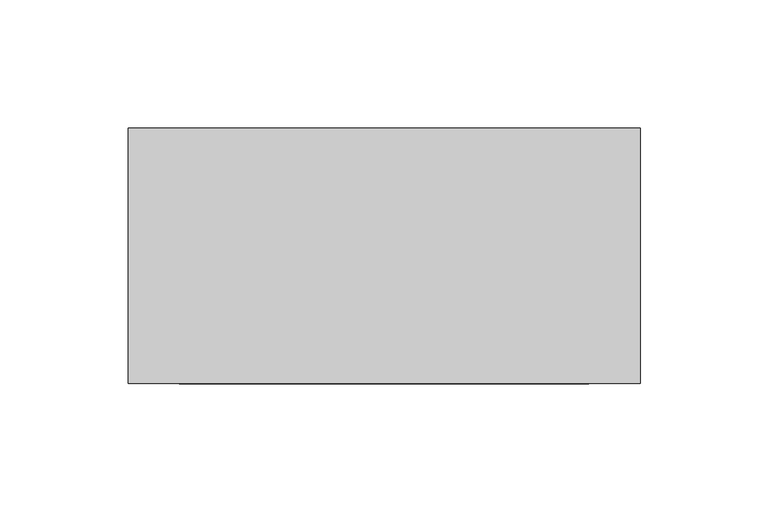
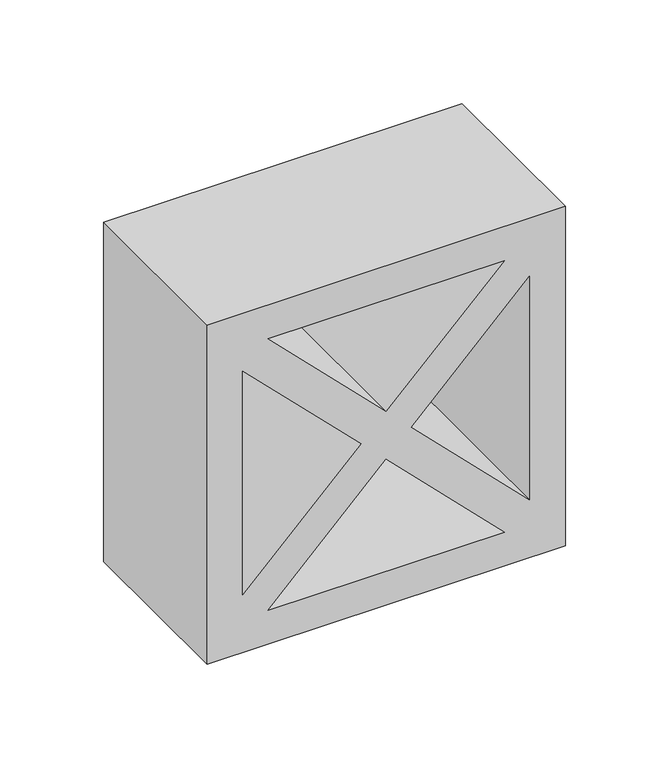
"""IFC4 building model written with IfcOpenShell, lengths in millimetres: plate geometry."""

import ifcopenshell
import ifcopenshell.guid

model = None  # the IFC model being written
_history = None  # IfcOwnerHistory: only IFC2X3 demands one
_inside = {}  # id of a spatial element -> (the spatial element, [elements in it])
_under = {}  # id of a project, library or spatial element -> (it, [spatial elements below it])
_declared = {}  # id of a project -> (the project, [libraries it declares])
_typed = {}  # id of a type object -> (the type object, [elements of that type])
_made_of = {}  # id of a material, layer set ... -> (it, [elements and type objects made of it])


def new_model(schema):
    """Start an empty IFC model of exactly this schema.

    Asked for "IFC4X3", IfcOpenShell would pick the latest addendum, in which some entities
    have other attributes; the version numbers below select the first issue.
    IFC2X3 requires an IfcOwnerHistory on every rooted entity: one is made here for all.
    """
    global model, _history
    if schema == "IFC4X3":
        model = ifcopenshell.file(schema_version=(4, 3, 0, 0))
    else:
        model = ifcopenshell.file(schema=schema)
    _inside.clear()
    _under.clear()
    _declared.clear()
    _typed.clear()
    _made_of.clear()
    _history = None
    if model.schema == "IFC2X3":
        org = make("IfcOrganization", Name="unknown")
        user = make(
            "IfcPersonAndOrganization",
            ThePerson=make("IfcPerson", FamilyName="unknown"),
            TheOrganization=org,
        )
        app = make(
            "IfcApplication",
            ApplicationDeveloper=org,
            Version="unknown",
            ApplicationFullName="unknown",
            ApplicationIdentifier="unknown",
        )
        _history = make(
            "IfcOwnerHistory",
            OwningUser=user,
            OwningApplication=app,
            ChangeAction="ADDED",
            CreationDate=0,
        )
    return model


def make(cls, **values):
    """One entity of the class cls with the attributes given. An attribute that is None is left unset."""
    return model.create_entity(
        cls, **{name: value for name, value in values.items() if value is not None}
    )


def rooted(cls, **values):
    """An entity with a GlobalId (a new one), such as an element, a storey or a relation."""
    return make(cls, GlobalId=ifcopenshell.guid.new(), OwnerHistory=_history, **values)


def si_unit(unit_type, name, prefix=None):
    """IfcSIUnit, for example si_unit("LENGTHUNIT", "METRE", prefix="MILLI")."""
    return make("IfcSIUnit", UnitType=unit_type, Prefix=prefix, Name=name)


def assignment(units):
    """IfcUnitAssignment: the units of a project."""
    return None if units is None else make("IfcUnitAssignment", Units=units)


def point(xyz):
    """IfcCartesianPoint."""
    return None if xyz is None else make("IfcCartesianPoint", Coordinates=xyz)


def direction(xyz):
    """IfcDirection."""
    return None if xyz is None else make("IfcDirection", DirectionRatios=xyz)


def frame(location, z_axis=None, x_axis=None):
    """IfcAxis2Placement3D, a coordinate frame: its origin and axes. An axis left out is left unset."""
    return make(
        "IfcAxis2Placement3D",
        Location=point(location),
        Axis=direction(z_axis),
        RefDirection=direction(x_axis),
    )


def origin():
    """The frame at (0, 0, 0) with its axes left unset."""
    return frame((0.0, 0.0, 0.0))


def place(relative_to, where):
    """IfcLocalPlacement: puts the frame where relative to a parent placement (None: the world)."""
    return make(
        "IfcLocalPlacement", PlacementRelTo=relative_to, RelativePlacement=where
    )


def context(
    kind, dimensions, precision=None, world=None, true_north=None, identifier=None
):
    """IfcGeometricRepresentationContext, for example the 3D "Model" context."""
    return make(
        "IfcGeometricRepresentationContext",
        ContextIdentifier=identifier,
        ContextType=kind,
        CoordinateSpaceDimension=dimensions,
        Precision=precision,
        WorldCoordinateSystem=world,
        TrueNorth=true_north,
    )


def project(units=None, contexts=None):
    """IfcProject with its units and contexts."""
    return rooted(
        "IfcProject",
        Name="project",
        RepresentationContexts=contexts,
        UnitsInContext=assignment(units),
    )


def spatial(cls, under=None, at=None, **own):
    """A site, building, storey or space (cls), placed at a placement, below another one or the project."""
    s = rooted(cls, ObjectPlacement=at, **own)
    if under is not None:
        _under.setdefault(under.id(), (under, []))[1].append(s)
    return s


def polyline(points):
    """IfcPolyline through the points."""
    return make("IfcPolyline", Points=[point(p) for p in points])


def outline(outer, holes=None, kind="AREA"):
    """IfcArbitraryClosedProfileDef: a profile drawn as a closed curve; with holes, ...WithVoids."""
    if holes is None:
        return make("IfcArbitraryClosedProfileDef", ProfileType=kind, OuterCurve=outer)
    return make(
        "IfcArbitraryProfileDefWithVoids",
        ProfileType=kind,
        OuterCurve=outer,
        InnerCurves=holes,
    )


def extrude(swept, where, along, depth):
    """IfcExtrudedAreaSolid: the profile swept, set in the frame where, extruded along a direction by depth."""
    return make(
        "IfcExtrudedAreaSolid",
        SweptArea=swept,
        Position=where,
        ExtrudedDirection=direction(along),
        Depth=depth,
    )


def shape(context_of_items, identifier, shape_type, items):
    """IfcShapeRepresentation: the items that make up one representation, for example the "Body"."""
    return make(
        "IfcShapeRepresentation",
        ContextOfItems=context_of_items,
        RepresentationIdentifier=identifier,
        RepresentationType=shape_type,
        Items=items,
    )


def source(mapping_origin, context_of_items, identifier, shape_type, items):
    """IfcRepresentationMap: a shape defined once, which mapped items show again and again."""
    return make(
        "IfcRepresentationMap",
        MappingOrigin=mapping_origin,
        MappedRepresentation=shape(context_of_items, identifier, shape_type, items),
    )


def transform(
    local_origin,
    x_axis=None,
    y_axis=None,
    z_axis=None,
    scale=None,
    scale2=None,
    scale3=None,
    uniform=True,
):
    """IfcCartesianTransformationOperator3D, or its non-uniform kind. x_axis, y_axis, z_axis: its Axis1, 2, 3."""
    if uniform:
        return make(
            "IfcCartesianTransformationOperator3D",
            Axis1=direction(x_axis),
            Axis2=direction(y_axis),
            LocalOrigin=point(local_origin),
            Scale=scale,
            Axis3=direction(z_axis),
        )
    return make(
        "IfcCartesianTransformationOperator3DnonUniform",
        Axis1=direction(x_axis),
        Axis2=direction(y_axis),
        LocalOrigin=point(local_origin),
        Scale=scale,
        Axis3=direction(z_axis),
        Scale2=scale2,
        Scale3=scale3,
    )


def mapped(mapping_source, mapping_target):
    """IfcMappedItem: shows the shape of a source again, moved by a transform."""
    return make(
        "IfcMappedItem", MappingSource=mapping_source, MappingTarget=mapping_target
    )


def made_of(thing, what):
    """Note that an element or type object is made of a material, layer set ...; save() writes the relation."""
    if what is not None:
        _made_of.setdefault(what.id(), (what, []))[1].append(thing)
    return thing


def element(
    cls,
    number,
    at=None,
    inside=None,
    cuts=None,
    type_object=None,
    material=None,
    context=None,
    identifier="Body",
    shape_type=None,
    held_by="IfcProductDefinitionShape",
    body=None,
    shapes=None,
    **own,
):
    """One element of the class cls, such as IfcWall. Its Tag is "e" and its number.

    at: its placement. inside: the storey or other place that contains it. cuts: it is an
    opening in that element (IfcRelVoidsElement). A single representation is given by context,
    identifier, shape_type and body (its items); several are given by shapes. held_by: the class
    of the entity that holds the representations. save() writes the other relations.
    """
    e = rooted(cls, Tag="e%d" % number, ObjectPlacement=at, **own)
    if body is not None:
        shapes = [shape(context, identifier, shape_type, body)]
    if shapes is not None:
        e.Representation = make(held_by, Representations=shapes)
    if inside is not None:
        _inside.setdefault(inside.id(), (inside, []))[1].append(e)
    if cuts is not None:
        rooted(
            "IfcRelVoidsElement", RelatingBuildingElement=cuts, RelatedOpeningElement=e
        )
    if type_object is not None:
        _typed.setdefault(type_object.id(), (type_object, []))[1].append(e)
    return made_of(e, material)


def aggregate(whole, parts):
    """IfcRelAggregates: a whole, such as a stair, and the parts it consists of."""
    return rooted("IfcRelAggregates", RelatingObject=whole, RelatedObjects=parts)


def save(model, path):
    """Write the relations noted so far, then the file.

    IfcRelAggregates (storeys below a building ...), IfcRelContainedInSpatialStructure (elements
    in a storey), IfcRelDefinesByType, IfcRelAssociatesMaterial and IfcRelDeclares: one each for
    every whole, place, type object, material and project.
    """
    for whole, parts in _under.values():
        aggregate(whole, parts)
    for where, things in _inside.values():
        rooted(
            "IfcRelContainedInSpatialStructure",
            RelatedElements=things,
            RelatingStructure=where,
        )
    for kind, things in _typed.values():
        rooted("IfcRelDefinesByType", RelatedObjects=things, RelatingType=kind)
    for what, things in _made_of.values():
        rooted("IfcRelAssociatesMaterial", RelatedObjects=things, RelatingMaterial=what)
    for by, libraries in _declared.values():
        rooted("IfcRelDeclares", RelatingContext=by, RelatedDefinitions=libraries)
    model.write(path)


def plate_b1f0baf4(model_context):
    return source(origin(), model_context, "Body", "SweptSolid", [
        extrude(outline(polyline([(200.0, 100.0), (200.0, -100.0), (0.0, -100.0), (0.0, 100.0), (200.0, 100.0)]), holes=[polyline([(180.0, 65.8578644), (114.1421356, 0.0), (180.0, -65.8578644), (180.0, 65.8578644)]), polyline([(100.0, -14.1421356), (34.1421356, -80.0), (165.8578644, -80.0), (100.0, -14.1421356)]), polyline([(85.8578644, 0.0), (20.0, 65.8578644), (20.0, -65.8578644), (85.8578644, 0.0)]), polyline([(100.0, 14.1421356), (165.8578644, 80.0), (34.1421356, 80.0), (100.0, 14.1421356)])]), frame((0.0, -100.0, 0.0), z_axis=(0.0, 1.0, 0.0), x_axis=(0.0, 0.0, 1.0)), (0.0, 0.0, 1.0), 100.0),
    ])


if __name__ == "__main__":
    model = new_model("IFC4")
    model_context = context("Model", 3, world=origin())
    ifc_project = project(units=[si_unit("LENGTHUNIT", "METRE", prefix="MILLI")], contexts=[model_context])
    site = spatial("IfcSite", under=ifc_project)
    building = spatial("IfcBuilding", under=site)
    placement = place(None, origin())
    plate_shape = plate_b1f0baf4(model_context)
    element("IfcPlate", 1, at=placement, inside=building, context=model_context, shape_type="MappedRepresentation", body=[
        mapped(plate_shape, transform((0.0, 0.0, 0.0), x_axis=(1.0, 0.0, 0.0), y_axis=(0.0, 1.0, 0.0), z_axis=(0.0, 0.0, 1.0))),
    ])
    save(model, "model.ifc")
